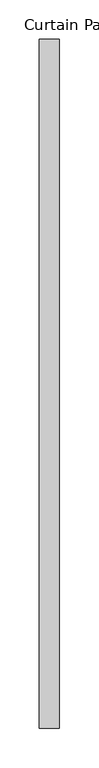
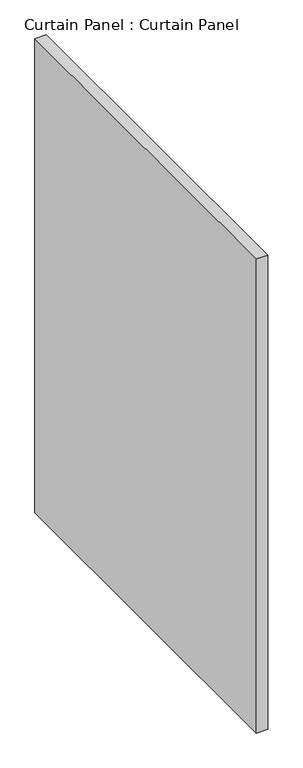
"""IFC4 building model written with IfcOpenShell, lengths in millimetres: plate geometry, Curtain Panel : Curtain Panel."""

import ifcopenshell
import ifcopenshell.guid

model = None  # the IFC model being written
_history = None  # IfcOwnerHistory: only IFC2X3 demands one
_inside = {}  # id of a spatial element -> (the spatial element, [elements in it])
_under = {}  # id of a project, library or spatial element -> (it, [spatial elements below it])
_declared = {}  # id of a project -> (the project, [libraries it declares])
_typed = {}  # id of a type object -> (the type object, [elements of that type])
_made_of = {}  # id of a material, layer set ... -> (it, [elements and type objects made of it])


def new_model(schema):
    """Start an empty IFC model of exactly this schema.

    Asked for "IFC4X3", IfcOpenShell would pick the latest addendum, in which some entities
    have other attributes; the version numbers below select the first issue.
    IFC2X3 requires an IfcOwnerHistory on every rooted entity: one is made here for all.
    """
    global model, _history
    if schema == "IFC4X3":
        model = ifcopenshell.file(schema_version=(4, 3, 0, 0))
    else:
        model = ifcopenshell.file(schema=schema)
    _inside.clear()
    _under.clear()
    _declared.clear()
    _typed.clear()
    _made_of.clear()
    _history = None
    if model.schema == "IFC2X3":
        org = make("IfcOrganization", Name="unknown")
        user = make(
            "IfcPersonAndOrganization",
            ThePerson=make("IfcPerson", FamilyName="unknown"),
            TheOrganization=org,
        )
        app = make(
            "IfcApplication",
            ApplicationDeveloper=org,
            Version="unknown",
            ApplicationFullName="unknown",
            ApplicationIdentifier="unknown",
        )
        _history = make(
            "IfcOwnerHistory",
            OwningUser=user,
            OwningApplication=app,
            ChangeAction="ADDED",
            CreationDate=0,
        )
    return model


def make(cls, **values):
    """One entity of the class cls with the attributes given. An attribute that is None is left unset."""
    return model.create_entity(
        cls, **{name: value for name, value in values.items() if value is not None}
    )


def rooted(cls, **values):
    """An entity with a GlobalId (a new one), such as an element, a storey or a relation."""
    return make(cls, GlobalId=ifcopenshell.guid.new(), OwnerHistory=_history, **values)


def si_unit(unit_type, name, prefix=None):
    """IfcSIUnit, for example si_unit("LENGTHUNIT", "METRE", prefix="MILLI")."""
    return make("IfcSIUnit", UnitType=unit_type, Prefix=prefix, Name=name)


def assignment(units):
    """IfcUnitAssignment: the units of a project."""
    return None if units is None else make("IfcUnitAssignment", Units=units)


def point(xyz):
    """IfcCartesianPoint."""
    return None if xyz is None else make("IfcCartesianPoint", Coordinates=xyz)


def direction(xyz):
    """IfcDirection."""
    return None if xyz is None else make("IfcDirection", DirectionRatios=xyz)


def frame(location, z_axis=None, x_axis=None):
    """IfcAxis2Placement3D, a coordinate frame: its origin and axes. An axis left out is left unset."""
    return make(
        "IfcAxis2Placement3D",
        Location=point(location),
        Axis=direction(z_axis),
        RefDirection=direction(x_axis),
    )


def origin():
    """The frame at (0, 0, 0) with its axes left unset."""
    return frame((0.0, 0.0, 0.0))


def place(relative_to, where):
    """IfcLocalPlacement: puts the frame where relative to a parent placement (None: the world)."""
    return make(
        "IfcLocalPlacement", PlacementRelTo=relative_to, RelativePlacement=where
    )


def context(
    kind, dimensions, precision=None, world=None, true_north=None, identifier=None
):
    """IfcGeometricRepresentationContext, for example the 3D "Model" context."""
    return make(
        "IfcGeometricRepresentationContext",
        ContextIdentifier=identifier,
        ContextType=kind,
        CoordinateSpaceDimension=dimensions,
        Precision=precision,
        WorldCoordinateSystem=world,
        TrueNorth=true_north,
    )


def project(units=None, contexts=None):
    """IfcProject with its units and contexts."""
    return rooted(
        "IfcProject",
        Name="project",
        RepresentationContexts=contexts,
        UnitsInContext=assignment(units),
    )


def spatial(cls, under=None, at=None, **own):
    """A site, building, storey or space (cls), placed at a placement, below another one or the project."""
    s = rooted(cls, ObjectPlacement=at, **own)
    if under is not None:
        _under.setdefault(under.id(), (under, []))[1].append(s)
    return s


def polyline(points):
    """IfcPolyline through the points."""
    return make("IfcPolyline", Points=[point(p) for p in points])


def outline(outer, holes=None, kind="AREA"):
    """IfcArbitraryClosedProfileDef: a profile drawn as a closed curve; with holes, ...WithVoids."""
    if holes is None:
        return make("IfcArbitraryClosedProfileDef", ProfileType=kind, OuterCurve=outer)
    return make(
        "IfcArbitraryProfileDefWithVoids",
        ProfileType=kind,
        OuterCurve=outer,
        InnerCurves=holes,
    )


def extrude(swept, where, along, depth):
    """IfcExtrudedAreaSolid: the profile swept, set in the frame where, extruded along a direction by depth."""
    return make(
        "IfcExtrudedAreaSolid",
        SweptArea=swept,
        Position=where,
        ExtrudedDirection=direction(along),
        Depth=depth,
    )


def shape(context_of_items, identifier, shape_type, items):
    """IfcShapeRepresentation: the items that make up one representation, for example the "Body"."""
    return make(
        "IfcShapeRepresentation",
        ContextOfItems=context_of_items,
        RepresentationIdentifier=identifier,
        RepresentationType=shape_type,
        Items=items,
    )


def source(mapping_origin, context_of_items, identifier, shape_type, items):
    """IfcRepresentationMap: a shape defined once, which mapped items show again and again."""
    return make(
        "IfcRepresentationMap",
        MappingOrigin=mapping_origin,
        MappedRepresentation=shape(context_of_items, identifier, shape_type, items),
    )


def transform(
    local_origin,
    x_axis=None,
    y_axis=None,
    z_axis=None,
    scale=None,
    scale2=None,
    scale3=None,
    uniform=True,
):
    """IfcCartesianTransformationOperator3D, or its non-uniform kind. x_axis, y_axis, z_axis: its Axis1, 2, 3."""
    if uniform:
        return make(
            "IfcCartesianTransformationOperator3D",
            Axis1=direction(x_axis),
            Axis2=direction(y_axis),
            LocalOrigin=point(local_origin),
            Scale=scale,
            Axis3=direction(z_axis),
        )
    return make(
        "IfcCartesianTransformationOperator3DnonUniform",
        Axis1=direction(x_axis),
        Axis2=direction(y_axis),
        LocalOrigin=point(local_origin),
        Scale=scale,
        Axis3=direction(z_axis),
        Scale2=scale2,
        Scale3=scale3,
    )


def mapped(mapping_source, mapping_target):
    """IfcMappedItem: shows the shape of a source again, moved by a transform."""
    return make(
        "IfcMappedItem", MappingSource=mapping_source, MappingTarget=mapping_target
    )


def made_of(thing, what):
    """Note that an element or type object is made of a material, layer set ...; save() writes the relation."""
    if what is not None:
        _made_of.setdefault(what.id(), (what, []))[1].append(thing)
    return thing


def element(
    cls,
    number,
    at=None,
    inside=None,
    cuts=None,
    type_object=None,
    material=None,
    context=None,
    identifier="Body",
    shape_type=None,
    held_by="IfcProductDefinitionShape",
    body=None,
    shapes=None,
    **own,
):
    """One element of the class cls, such as IfcWall. Its Tag is "e" and its number.

    at: its placement. inside: the storey or other place that contains it. cuts: it is an
    opening in that element (IfcRelVoidsElement). A single representation is given by context,
    identifier, shape_type and body (its items); several are given by shapes. held_by: the class
    of the entity that holds the representations. save() writes the other relations.
    """
    e = rooted(cls, Tag="e%d" % number, ObjectPlacement=at, **own)
    if body is not None:
        shapes = [shape(context, identifier, shape_type, body)]
    if shapes is not None:
        e.Representation = make(held_by, Representations=shapes)
    if inside is not None:
        _inside.setdefault(inside.id(), (inside, []))[1].append(e)
    if cuts is not None:
        rooted(
            "IfcRelVoidsElement", RelatingBuildingElement=cuts, RelatedOpeningElement=e
        )
    if type_object is not None:
        _typed.setdefault(type_object.id(), (type_object, []))[1].append(e)
    return made_of(e, material)


def aggregate(whole, parts):
    """IfcRelAggregates: a whole, such as a stair, and the parts it consists of."""
    return rooted("IfcRelAggregates", RelatingObject=whole, RelatedObjects=parts)


def save(model, path):
    """Write the relations noted so far, then the file.

    IfcRelAggregates (storeys below a building ...), IfcRelContainedInSpatialStructure (elements
    in a storey), IfcRelDefinesByType, IfcRelAssociatesMaterial and IfcRelDeclares: one each for
    every whole, place, type object, material and project.
    """
    for whole, parts in _under.values():
        aggregate(whole, parts)
    for where, things in _inside.values():
        rooted(
            "IfcRelContainedInSpatialStructure",
            RelatedElements=things,
            RelatingStructure=where,
        )
    for kind, things in _typed.values():
        rooted("IfcRelDefinesByType", RelatedObjects=things, RelatingType=kind)
    for what, things in _made_of.values():
        rooted("IfcRelAssociatesMaterial", RelatedObjects=things, RelatingMaterial=what)
    for by, libraries in _declared.values():
        rooted("IfcRelDeclares", RelatingContext=by, RelatedDefinitions=libraries)
    model.write(path)


def curtain_panel_curtain_panel_98a7eed5(model_context):
    return source(origin(), model_context, "Body", "SweptSolid", [
        extrude(outline(polyline([(-173914.1972439, 5771.5552048), (-173914.1972439, 4896.5268089), (-173939.5972439, 4896.5268089), (-173939.5972439, 5771.5552048), (-173914.1972439, 5771.5552048)])), frame((0.0, 0.0, 2456.3192009), z_axis=(0.0, 0.0, 1.0), x_axis=(1.0, 0.0, 0.0)), (0.0, 0.0, 1.0), 1143.5031941),
    ])


if __name__ == "__main__":
    model = new_model("IFC4")
    model_context = context("Model", 3, world=origin())
    ifc_project = project(units=[si_unit("LENGTHUNIT", "METRE", prefix="MILLI")], contexts=[model_context])
    site = spatial("IfcSite", under=ifc_project)
    building = spatial("IfcBuilding", under=site)
    placement = place(None, origin())
    curtain_panel_curtain_panel_shape = curtain_panel_curtain_panel_98a7eed5(model_context)
    element("IfcPlate", 1, ObjectType="Curtain Panel : Curtain Panel", at=placement, inside=building, context=model_context, shape_type="MappedRepresentation", body=[
        mapped(curtain_panel_curtain_panel_shape, transform((0.0, 0.0, 0.0), x_axis=(1.0, 0.0, 0.0), y_axis=(0.0, 1.0, 0.0), z_axis=(0.0, 0.0, 1.0))),
    ])
    save(model, "model.ifc")
